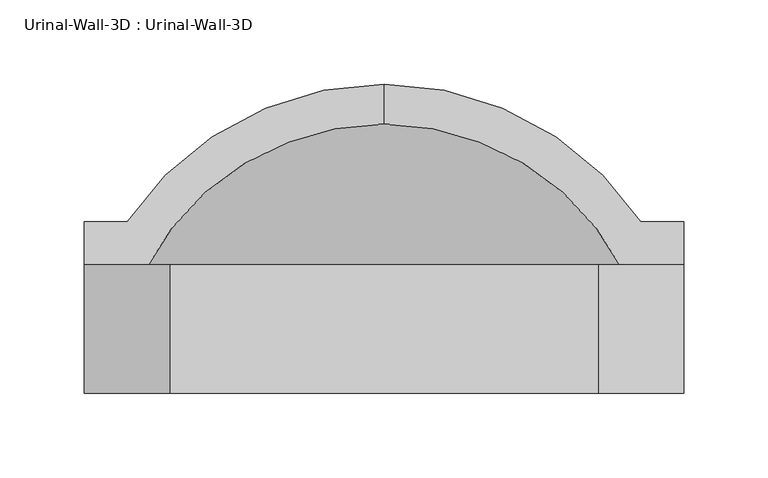
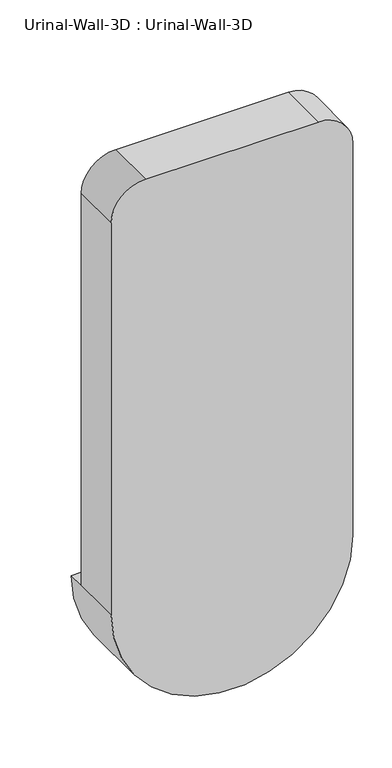
"""IFC4 building model written with IfcOpenShell, lengths in millimetres: flow terminal geometry, Urinal-Wall-3D : Urinal-Wall-3D."""

import ifcopenshell
import ifcopenshell.guid

model = None  # the IFC model being written
_history = None  # IfcOwnerHistory: only IFC2X3 demands one
_inside = {}  # id of a spatial element -> (the spatial element, [elements in it])
_under = {}  # id of a project, library or spatial element -> (it, [spatial elements below it])
_declared = {}  # id of a project -> (the project, [libraries it declares])
_typed = {}  # id of a type object -> (the type object, [elements of that type])
_made_of = {}  # id of a material, layer set ... -> (it, [elements and type objects made of it])


def new_model(schema):
    """Start an empty IFC model of exactly this schema.

    Asked for "IFC4X3", IfcOpenShell would pick the latest addendum, in which some entities
    have other attributes; the version numbers below select the first issue.
    IFC2X3 requires an IfcOwnerHistory on every rooted entity: one is made here for all.
    """
    global model, _history
    if schema == "IFC4X3":
        model = ifcopenshell.file(schema_version=(4, 3, 0, 0))
    else:
        model = ifcopenshell.file(schema=schema)
    _inside.clear()
    _under.clear()
    _declared.clear()
    _typed.clear()
    _made_of.clear()
    _history = None
    if model.schema == "IFC2X3":
        org = make("IfcOrganization", Name="unknown")
        user = make(
            "IfcPersonAndOrganization",
            ThePerson=make("IfcPerson", FamilyName="unknown"),
            TheOrganization=org,
        )
        app = make(
            "IfcApplication",
            ApplicationDeveloper=org,
            Version="unknown",
            ApplicationFullName="unknown",
            ApplicationIdentifier="unknown",
        )
        _history = make(
            "IfcOwnerHistory",
            OwningUser=user,
            OwningApplication=app,
            ChangeAction="ADDED",
            CreationDate=0,
        )
    return model


def make(cls, **values):
    """One entity of the class cls with the attributes given. An attribute that is None is left unset."""
    return model.create_entity(
        cls, **{name: value for name, value in values.items() if value is not None}
    )


def rooted(cls, **values):
    """An entity with a GlobalId (a new one), such as an element, a storey or a relation."""
    return make(cls, GlobalId=ifcopenshell.guid.new(), OwnerHistory=_history, **values)


def si_unit(unit_type, name, prefix=None):
    """IfcSIUnit, for example si_unit("LENGTHUNIT", "METRE", prefix="MILLI")."""
    return make("IfcSIUnit", UnitType=unit_type, Prefix=prefix, Name=name)


def assignment(units):
    """IfcUnitAssignment: the units of a project."""
    return None if units is None else make("IfcUnitAssignment", Units=units)


def point(xyz):
    """IfcCartesianPoint."""
    return None if xyz is None else make("IfcCartesianPoint", Coordinates=xyz)


def direction(xyz):
    """IfcDirection."""
    return None if xyz is None else make("IfcDirection", DirectionRatios=xyz)


def frame(location, z_axis=None, x_axis=None):
    """IfcAxis2Placement3D, a coordinate frame: its origin and axes. An axis left out is left unset."""
    return make(
        "IfcAxis2Placement3D",
        Location=point(location),
        Axis=direction(z_axis),
        RefDirection=direction(x_axis),
    )


def origin():
    """The frame at (0, 0, 0) with its axes left unset."""
    return frame((0.0, 0.0, 0.0))


def place(relative_to, where):
    """IfcLocalPlacement: puts the frame where relative to a parent placement (None: the world)."""
    return make(
        "IfcLocalPlacement", PlacementRelTo=relative_to, RelativePlacement=where
    )


def context(
    kind, dimensions, precision=None, world=None, true_north=None, identifier=None
):
    """IfcGeometricRepresentationContext, for example the 3D "Model" context."""
    return make(
        "IfcGeometricRepresentationContext",
        ContextIdentifier=identifier,
        ContextType=kind,
        CoordinateSpaceDimension=dimensions,
        Precision=precision,
        WorldCoordinateSystem=world,
        TrueNorth=true_north,
    )


def project(units=None, contexts=None):
    """IfcProject with its units and contexts."""
    return rooted(
        "IfcProject",
        Name="project",
        RepresentationContexts=contexts,
        UnitsInContext=assignment(units),
    )


def spatial(cls, under=None, at=None, **own):
    """A site, building, storey or space (cls), placed at a placement, below another one or the project."""
    s = rooted(cls, ObjectPlacement=at, **own)
    if under is not None:
        _under.setdefault(under.id(), (under, []))[1].append(s)
    return s


def polyline(points):
    """IfcPolyline through the points."""
    return make("IfcPolyline", Points=[point(p) for p in points])


def circle_curve(where, radius):
    """IfcCircle in the frame where."""
    return make("IfcCircle", Position=where, Radius=radius)


def ellipse_curve(where, semi_axis1, semi_axis2):
    """IfcEllipse in the frame where."""
    return make(
        "IfcEllipse", Position=where, SemiAxis1=semi_axis1, SemiAxis2=semi_axis2
    )


def trimmed(basis, trim1, trim2, sense, master):
    """IfcTrimmedCurve: the piece of a basis curve between two trims."""
    return make(
        "IfcTrimmedCurve",
        BasisCurve=basis,
        Trim1=trim1,
        Trim2=trim2,
        SenseAgreement=sense,
        MasterRepresentation=master,
    )


def shape(context_of_items, identifier, shape_type, items):
    """IfcShapeRepresentation: the items that make up one representation, for example the "Body"."""
    return make(
        "IfcShapeRepresentation",
        ContextOfItems=context_of_items,
        RepresentationIdentifier=identifier,
        RepresentationType=shape_type,
        Items=items,
    )


def source(mapping_origin, context_of_items, identifier, shape_type, items):
    """IfcRepresentationMap: a shape defined once, which mapped items show again and again."""
    return make(
        "IfcRepresentationMap",
        MappingOrigin=mapping_origin,
        MappedRepresentation=shape(context_of_items, identifier, shape_type, items),
    )


def transform(
    local_origin,
    x_axis=None,
    y_axis=None,
    z_axis=None,
    scale=None,
    scale2=None,
    scale3=None,
    uniform=True,
):
    """IfcCartesianTransformationOperator3D, or its non-uniform kind. x_axis, y_axis, z_axis: its Axis1, 2, 3."""
    if uniform:
        return make(
            "IfcCartesianTransformationOperator3D",
            Axis1=direction(x_axis),
            Axis2=direction(y_axis),
            LocalOrigin=point(local_origin),
            Scale=scale,
            Axis3=direction(z_axis),
        )
    return make(
        "IfcCartesianTransformationOperator3DnonUniform",
        Axis1=direction(x_axis),
        Axis2=direction(y_axis),
        LocalOrigin=point(local_origin),
        Scale=scale,
        Axis3=direction(z_axis),
        Scale2=scale2,
        Scale3=scale3,
    )


def mapped(mapping_source, mapping_target):
    """IfcMappedItem: shows the shape of a source again, moved by a transform."""
    return make(
        "IfcMappedItem", MappingSource=mapping_source, MappingTarget=mapping_target
    )


def made_of(thing, what):
    """Note that an element or type object is made of a material, layer set ...; save() writes the relation."""
    if what is not None:
        _made_of.setdefault(what.id(), (what, []))[1].append(thing)
    return thing


def element(
    cls,
    number,
    at=None,
    inside=None,
    cuts=None,
    type_object=None,
    material=None,
    context=None,
    identifier="Body",
    shape_type=None,
    held_by="IfcProductDefinitionShape",
    body=None,
    shapes=None,
    **own,
):
    """One element of the class cls, such as IfcWall. Its Tag is "e" and its number.

    at: its placement. inside: the storey or other place that contains it. cuts: it is an
    opening in that element (IfcRelVoidsElement). A single representation is given by context,
    identifier, shape_type and body (its items); several are given by shapes. held_by: the class
    of the entity that holds the representations. save() writes the other relations.
    """
    e = rooted(cls, Tag="e%d" % number, ObjectPlacement=at, **own)
    if body is not None:
        shapes = [shape(context, identifier, shape_type, body)]
    if shapes is not None:
        e.Representation = make(held_by, Representations=shapes)
    if inside is not None:
        _inside.setdefault(inside.id(), (inside, []))[1].append(e)
    if cuts is not None:
        rooted(
            "IfcRelVoidsElement", RelatingBuildingElement=cuts, RelatedOpeningElement=e
        )
    if type_object is not None:
        _typed.setdefault(type_object.id(), (type_object, []))[1].append(e)
    return made_of(e, material)


def aggregate(whole, parts):
    """IfcRelAggregates: a whole, such as a stair, and the parts it consists of."""
    return rooted("IfcRelAggregates", RelatingObject=whole, RelatedObjects=parts)


def save(model, path):
    """Write the relations noted so far, then the file.

    IfcRelAggregates (storeys below a building ...), IfcRelContainedInSpatialStructure (elements
    in a storey), IfcRelDefinesByType, IfcRelAssociatesMaterial and IfcRelDeclares: one each for
    every whole, place, type object, material and project.
    """
    for whole, parts in _under.values():
        aggregate(whole, parts)
    for where, things in _inside.values():
        rooted(
            "IfcRelContainedInSpatialStructure",
            RelatedElements=things,
            RelatingStructure=where,
        )
    for kind, things in _typed.values():
        rooted("IfcRelDefinesByType", RelatedObjects=things, RelatingType=kind)
    for what, things in _made_of.values():
        rooted("IfcRelAssociatesMaterial", RelatedObjects=things, RelatingMaterial=what)
    for by, libraries in _declared.values():
        rooted("IfcRelDeclares", RelatingContext=by, RelatedDefinitions=libraries)
    model.write(path)


def plane_surface(at):
    """IfcPlane: the flat surface through the origin of the frame at, square to its z axis."""
    return make("IfcPlane", Position=at)


def cylinder_surface(at, radius):
    """IfcCylindricalSurface: all points at the distance radius from the z axis of the frame at."""
    return make("IfcCylindricalSurface", Position=at, Radius=radius)


def revolved_surface(curve, axis_point, axis_direction):
    """IfcSurfaceOfRevolution: the curve turned about the line through axis_point along axis_direction."""
    return make(
        "IfcSurfaceOfRevolution",
        SweptCurve=make("IfcArbitraryOpenProfileDef", ProfileType="CURVE", Curve=curve),
        AxisPosition=make("IfcAxis1Placement", Location=point(axis_point), Axis=direction(axis_direction)),
    )


def advanced_brep(points, edges, surfaces, faces):
    """IfcAdvancedBrep: a solid bounded by faces that lie on surfaces and meet in shared edges.

    An edge is (start, end): straight between two places in points (the first is 0);
    or (start, end, curve); or (start, end, curve, False) where it runs against its curve.
    A face is (place in surfaces, loops), or (place, loops, False) where it looks against
    its surface's normal. A loop lists edges by number (the first is 1), with a minus sign
    where the edge is run from its end to its start. The first loop is the outer one.
    """
    corners = [point(p) for p in points]
    vertices = [make("IfcVertexPoint", VertexGeometry=c) for c in corners]
    made = []
    for start, end, *more in edges:
        made.append(
            make(
                "IfcEdgeCurve",
                EdgeStart=vertices[start],
                EdgeEnd=vertices[end],
                EdgeGeometry=more[0] if more else make("IfcPolyline", Points=[corners[start], corners[end]]),
                SameSense=more[1] if len(more) > 1 else True,
            )
        )
    hull = []
    for where, loops, *sense in faces:
        bounds = []
        for j, loop in enumerate(loops):
            ring = [make("IfcOrientedEdge", EdgeElement=made[abs(k) - 1], Orientation=k > 0) for k in loop]
            bounds.append(
                make(
                    "IfcFaceOuterBound" if j == 0 else "IfcFaceBound",
                    Bound=make("IfcEdgeLoop", EdgeList=ring),
                    Orientation=True,
                )
            )
        hull.append(make("IfcAdvancedFace", Bounds=bounds, FaceSurface=surfaces[where], SameSense=sense[0] if sense else True))
    return make("IfcAdvancedBrep", Outer=make("IfcClosedShell", CfsFaces=hull))


def urinal_wall_3d_urinal_wall_3d_e2d65a92(model_context):
    return source(origin(), model_context, "Body", "AdvancedBrep", [
        advanced_brep(
        [(-109.0745999, 259.3620048, 609.6), (-109.0745999, 235.6447043, 609.6), (43.3254001, 123.0706063, 609.6), (43.3254001, 152.4, 609.6), (68.7254001, 152.4, 609.6), (68.7254001, 177.8, 609.6), (43.3254001, 177.8, 609.6), (-261.4745999, 177.8, 609.6), (-286.8745999, 177.8, 609.6), (-286.8745999, 152.4, 609.6), (-261.4745999, 152.4, 609.6), (-261.4745999, 123.0706063, 609.6), (-261.4745999, 88.9, 609.6), (43.3254001, 88.9, 609.6), (-286.8745999, 76.2, 609.6), (68.7254001, 76.2, 609.6), (68.7254001, 76.2, 1219.2), (17.9254001, 76.2, 1270.0), (-236.0745999, 76.2, 1270.0), (-286.8745999, 76.2, 1219.2), (-261.4745999, 88.9, 1168.4), (-210.6745999, 88.9, 1219.2), (-7.4745999, 88.9, 1219.2), (43.3254001, 88.9, 1168.4), (43.3254001, 152.4, 1168.4), (-7.4745999, 152.4, 1219.2), (-210.6745999, 152.4, 1219.2), (-261.4745999, 152.4, 1168.4), (-286.8745999, 152.4, 1219.2), (-236.0745999, 152.4, 1270.0), (17.9254001, 152.4, 1270.0), (68.7254001, 152.4, 1219.2)],
        [
            (0, 1),
            (1, 2, circle_curve(frame((-109.0745999, 76.2, 609.6), z_axis=(0.0, 0.0, -1.0), x_axis=(1.0, 0.0, 0.0)), 159.4447043)),
            (2, 3),
            (3, 4),
            (4, 5),
            (5, 6),
            (6, 0, circle_curve(frame((-109.0745999, 76.2, 609.6), z_axis=(0.0, 0.0, 1.0), x_axis=(1.0, 0.0, 0.0)), 183.1620048)),
            (0, 7, circle_curve(frame((-109.0745999, 76.2, 609.6), z_axis=(0.0, 0.0, 1.0), x_axis=(-1.0, 0.0, 0.0)), 183.1620048)),
            (7, 8),
            (8, 9),
            (9, 10),
            (10, 11),
            (11, 1, circle_curve(frame((-109.0745999, 76.2, 609.6), z_axis=(0.0, 0.0, -1.0), x_axis=(-1.0, 0.0, 0.0)), 159.4447043)),
            (11, 2, circle_curve(frame((-109.0745999, 123.0706063, 609.6), z_axis=(0.0, -1.0, 0.0), x_axis=(1.0, 0.0, 0.0)), 152.4)),
            (11, 12),
            (12, 13, circle_curve(frame((-109.0745999, 88.9, 609.6), z_axis=(0.0, -1.0, 0.0), x_axis=(1.0, 0.0, 0.0)), 152.4)),
            (13, 2),
            (14, 15, circle_curve(frame((-109.0745999, 76.2, 609.6), z_axis=(0.0, -1.0, 0.0), x_axis=(1.0, 0.0, 0.0)), 177.8)),
            (15, 16),
            (16, 17, circle_curve(frame((17.9254001, 76.2, 1219.2), z_axis=(0.0, -1.0, 0.0), x_axis=(-1.0, 0.0, 0.0)), 50.8)),
            (17, 18),
            (18, 19, circle_curve(frame((-236.0745999, 76.2, 1219.2), z_axis=(0.0, -1.0, 0.0), x_axis=(-1.0, 0.0, 0.0)), 50.8)),
            (19, 14),
            (14, 9),
            (8, 5, circle_curve(frame((-109.0745999, 177.8, 609.6), z_axis=(0.0, -1.0, 0.0), x_axis=(1.0, 0.0, 0.0)), 177.8)),
            (4, 15),
            (7, 6, circle_curve(frame((-109.0745999, 177.8, 609.6), z_axis=(0.0, -1.0, 0.0), x_axis=(1.0, 0.0, 0.0)), 152.4)),
            (12, 20),
            (20, 21, circle_curve(frame((-210.6745999, 88.9, 1168.4), z_axis=(0.0, 1.0, 0.0), x_axis=(-1.0, 0.0, 0.0)), 50.8)),
            (21, 22),
            (22, 23, circle_curve(frame((-7.4745999, 88.9, 1168.4), z_axis=(0.0, 1.0, 0.0), x_axis=(-1.0, 0.0, 0.0)), 50.8)),
            (23, 13),
            (3, 24),
            (24, 25, circle_curve(frame((-7.4745999, 152.4, 1168.4), z_axis=(0.0, -1.0, 0.0), x_axis=(-1.0, 0.0, 0.0)), 50.8)),
            (25, 26),
            (26, 27, circle_curve(frame((-210.6745999, 152.4, 1168.4), z_axis=(0.0, -1.0, 0.0), x_axis=(-1.0, 0.0, 0.0)), 50.8)),
            (27, 10),
            (9, 28),
            (28, 29, circle_curve(frame((-236.0745999, 152.4, 1219.2), z_axis=(0.0, 1.0, 0.0), x_axis=(-1.0, 0.0, 0.0)), 50.8)),
            (29, 30),
            (30, 31, circle_curve(frame((17.9254001, 152.4, 1219.2), z_axis=(0.0, 1.0, 0.0), x_axis=(-1.0, 0.0, 0.0)), 50.8)),
            (31, 4),
            (23, 24),
            (22, 25),
            (21, 26),
            (20, 27),
            (19, 28),
            (18, 29),
            (17, 30),
            (16, 31),
        ],
        [
            plane_surface(frame((-109.0745999, 365.4104173, 609.6), z_axis=(0.0, 0.0, 1.0), x_axis=(1.0, 0.0, 0.0))),
            plane_surface(frame((-109.0745999, 365.4104173, 609.6), z_axis=(0.0, 0.0, 1.0), x_axis=(-1.0, 0.0, 0.0))),
            revolved_surface(trimmed(ellipse_curve(frame((-109.0745999, 76.2, 609.6), z_axis=(0.0, 0.0, -1.0), x_axis=(1.0, 0.0, 0.0)), 159.4447043, 159.4447043), [point((-109.0745999, 235.6447043, 609.6))], [point((43.3254001, 123.0706063, 609.6))], True, "CARTESIAN"), (-109.0745999, 365.4104173, 609.6), (0.0, 1.0, 0.0)),
            revolved_surface(polyline([(43.32540010000001, 123.07060630000001, 609.6), (43.32540010000001, 88.90000000000003, 609.6)]), (-109.0745999, 365.4104173, 609.6), (0.0, 1.0, 0.0)),
            plane_surface(frame((-109.0745999, 76.2, 609.6), z_axis=(0.0, -1.0, 0.0), x_axis=(1.0, 0.0, 0.0))),
            cylinder_surface(frame((-109.0745999, 365.4104173, 609.6), z_axis=(0.0, 1.0, 0.0), x_axis=(1.0, 0.0, 0.0)), 177.8),
            plane_surface(frame((-109.0745999, 177.8, 609.6), z_axis=(0.0, 1.0, 0.0), x_axis=(1.0, 0.0, 0.0))),
            revolved_surface(trimmed(ellipse_curve(frame((-109.0745999, 76.2, 609.6), z_axis=(0.0, 0.0, 1.0), x_axis=(1.0, 0.0, 0.0)), 183.1620048, 183.1620048), [point((43.3254001, 177.8, 609.6))], [point((-109.0745999, 259.3620048, 609.6))], True, "CARTESIAN"), (-109.0745999, 365.4104173, 609.6), (0.0, 1.0, 0.0)),
            plane_surface(frame((43.3254001, 88.9, 609.6), z_axis=(0.0, 1.0, 0.0), x_axis=(0.0, 0.0, -1.0))),
            plane_surface(frame((43.3254001, 152.4, 609.6), z_axis=(0.0, 1.0, 0.0), x_axis=(0.0, 0.0, 1.0))),
            plane_surface(frame((43.3254001, 152.4, 609.6), z_axis=(-1.0, 0.0, 0.0), x_axis=(0.0, -1.0, 0.0))),
            revolved_surface(polyline([(-58.2745999, 88.9, 1168.4), (-58.2745999, 152.4, 1168.4)]), (-7.4745999, 76.2, 1168.4), (0.0, -1.0, 0.0)),
            plane_surface(frame((-7.4745999, 152.4, 1219.2), z_axis=(0.0, 0.0, -1.0), x_axis=(0.0, -1.0, 0.0))),
            revolved_surface(polyline([(-261.4745999, 88.9, 1168.4), (-261.4745999, 152.4, 1168.4)]), (-210.6745999, 76.2, 1168.4), (0.0, -1.0, 0.0)),
            plane_surface(frame((-261.4745999, 152.4, 1168.4), z_axis=(1.0, 0.0, 0.0), x_axis=(0.0, -1.0, 0.0))),
            plane_surface(frame((-286.8745999, 152.4, 609.6), z_axis=(-1.0, 0.0, 0.0), x_axis=(0.0, -1.0, 0.0))),
            cylinder_surface(frame((-236.0745999, 76.2, 1219.2), z_axis=(0.0, 1.0, 0.0), x_axis=(-1.0, 0.0, 0.0)), 50.8),
            plane_surface(frame((-236.0745999, 152.4, 1270.0), z_axis=(0.0, 0.0, 1.0), x_axis=(0.0, -1.0, 0.0))),
            cylinder_surface(frame((17.9254001, 76.2, 1219.2), z_axis=(0.0, 1.0, 0.0), x_axis=(-1.0, 0.0, 0.0)), 50.8),
            plane_surface(frame((68.7254001, 152.4, 1219.2), z_axis=(1.0, 0.0, 0.0), x_axis=(0.0, -1.0, 0.0))),
        ],
        [
            (0, [[1, 2, 3, 4, 5, 6, 7]]),
            (1, [[-1, 8, 9, 10, 11, 12, 13]]),
            (2, [[-2, -13, 14]]),
            (3, [[-14, 15, 16, 17]]),
            (4, [[18, 19, 20, 21, 22, 23]]),
            (5, [[-18, 24, -10, 25, -5, 26]]),
            (6, [[-6, -25, -9, 27]]),
            (7, [[-7, -27, -8]]),
            (8, [[-16, 28, 29, 30, 31, 32]]),
            (9, [[33, 34, 35, 36, 37, -11, 38, 39, 40, 41, 42, -4]]),
            (10, [[-33, -3, -17, -32, 43]]),
            (11, [[-34, -43, -31, 44]]),
            (12, [[-35, -44, -30, 45]]),
            (13, [[-36, -45, -29, 46]]),
            (14, [[-37, -46, -28, -15, -12]]),
            (15, [[-38, -24, -23, 47]]),
            (16, [[-39, -47, -22, 48]]),
            (17, [[-40, -48, -21, 49]]),
            (18, [[-41, -49, -20, 50]]),
            (19, [[-42, -50, -19, -26]]),
        ],
    ),
    ])


if __name__ == "__main__":
    model = new_model("IFC4")
    model_context = context("Model", 3, world=origin())
    ifc_project = project(units=[si_unit("LENGTHUNIT", "METRE", prefix="MILLI")], contexts=[model_context])
    site = spatial("IfcSite", under=ifc_project)
    building = spatial("IfcBuilding", under=site)
    placement = place(None, origin())
    urinal_wall_3d_urinal_wall_3d_shape = urinal_wall_3d_urinal_wall_3d_e2d65a92(model_context)
    element("IfcFlowTerminal", 1, ObjectType="Urinal-Wall-3D : Urinal-Wall-3D", at=placement, inside=building, context=model_context, shape_type="MappedRepresentation", body=[
        mapped(urinal_wall_3d_urinal_wall_3d_shape, transform((0.0, 0.0, 0.0), x_axis=(1.0, 0.0, 0.0), y_axis=(0.0, 1.0, 0.0), z_axis=(0.0, 0.0, 1.0))),
    ])
    save(model, "model.ifc")
